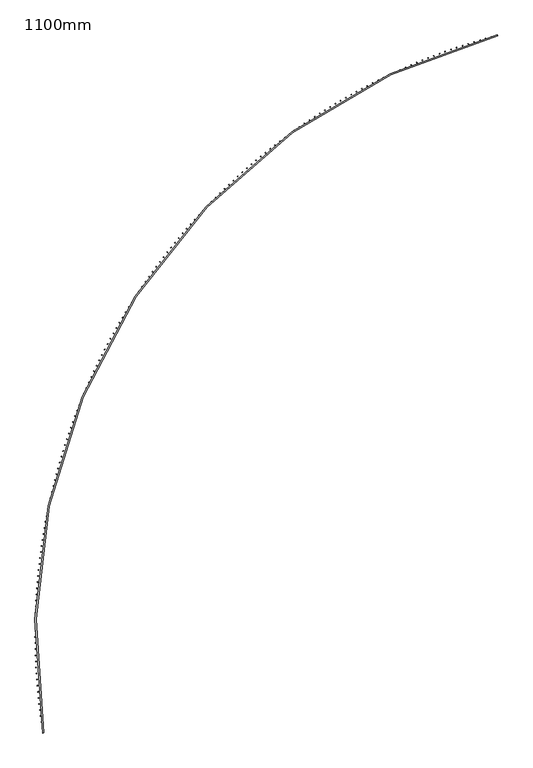
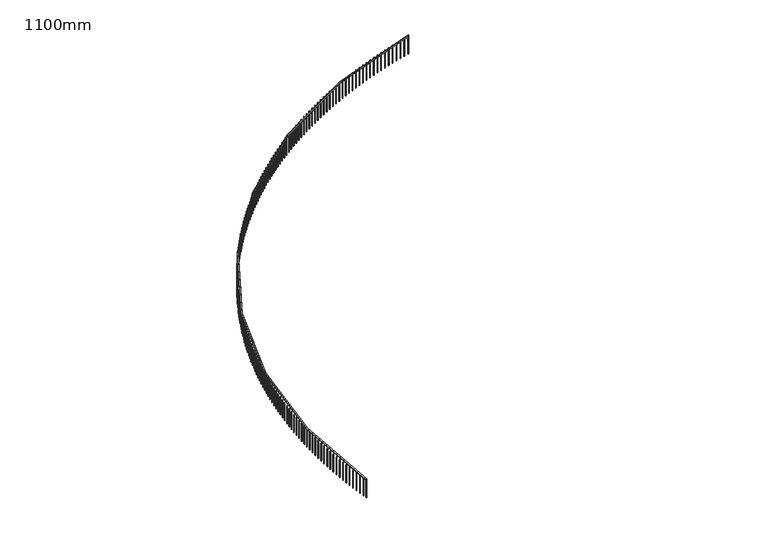
"""IFC4 building model written with IfcOpenShell, lengths in millimetres: railing geometry, 1100mm."""

from ifc_helpers import new_model, si_unit, point, frame, frame_2d, origin, place, context, project, spatial, polyline, circle_curve, trimmed, segment, composite_curve, outline, extrude, source, transform, mapped, element, save


def railing_1100mm_ca960c2f(model_context):
    return source(origin(), model_context, "Body", "SweptSolid", [
        extrude(outline(composite_curve([segment(trimmed(circle_curve(frame_2d((-8776.2169486, -53857.0322819)), 27971.5412014), [point((-36394.0287338, -58291.3968787))], [point((-15853.428822, -26795.6171438))], False, "CARTESIAN"), True, "CONTINUOUS"), segment(polyline([(-15853.428822, -26795.6171438), (-15840.7780857, -26843.9902651)]), True, "CONTINUOUS"), segment(trimmed(circle_curve(frame_2d((-8776.2169486, -53857.0322819)), 27921.5412014), [point((-15840.7780857, -26843.9902651))], [point((-36344.6610361, -58283.4703141))], True, "CARTESIAN"), True, "CONTINUOUS"), segment(polyline([(-36344.6610361, -58283.4703141), (-36394.0287338, -58291.3968787)]), True, "CONTINUOUS")], self_intersect=False)), frame((0.0, 0.0, 23650.0), z_axis=(0.0, 0.0, 1.0), x_axis=(1.0, 0.0, 0.0)), (0.0, 0.0, 1.0), 50.0),
        extrude(outline(polyline([(-36418.1953524, -58055.742926), (-36393.4805423, -58051.9775357), (-36389.7151521, -58076.6923458), (-36414.4299622, -58080.4577361), (-36418.1953524, -58055.742926)])), frame((0.0, 0.0, 22600.0), z_axis=(0.0, 0.0, 1.0), x_axis=(1.0, 0.0, 0.0)), (0.0, 0.0, 1.0), 1050.0),
        extrude(outline(polyline([(-36458.1726315, -57783.5410007), (-36433.4219663, -57780.0189879), (-36429.8999535, -57804.7696531), (-36454.6506187, -57808.2916659), (-36458.1726315, -57783.5410007)])), frame((0.0, 0.0, 22600.0), z_axis=(0.0, 0.0, 1.0), x_axis=(1.0, 0.0, 0.0)), (0.0, 0.0, 1.0), 1050.0),
        extrude(outline(polyline([(-36495.4694926, -57510.9588753), (-36470.685369, -57507.6805809), (-36467.4070746, -57532.4647046), (-36492.1911983, -57535.7429989), (-36495.4694926, -57510.9588753)])), frame((0.0, 0.0, 22600.0), z_axis=(0.0, 0.0, 1.0), x_axis=(1.0, 0.0, 0.0)), (0.0, 0.0, 1.0), 1050.0),
        extrude(outline(polyline([(-36530.0823244, -57238.0229435), (-36505.267142, -57234.9886851), (-36502.2328836, -57259.8038674), (-36527.0480659, -57262.8381258), (-36530.0823244, -57238.0229435)])), frame((0.0, 0.0, 22600.0), z_axis=(0.0, 0.0, 1.0), x_axis=(1.0, 0.0, 0.0)), (0.0, 0.0, 1.0), 1050.0),
        extrude(outline(polyline([(-36562.0077752, -56964.7596335), (-36537.1639369, -56961.9697048), (-36534.3740082, -56986.8135431), (-36559.2178464, -56989.6034718), (-36562.0077752, -56964.7596335)])), frame((0.0, 0.0, 22600.0), z_axis=(0.0, 0.0, 1.0), x_axis=(1.0, 0.0, 0.0)), (0.0, 0.0, 1.0), 1050.0),
        extrude(outline(polyline([(-36591.2427537, -56691.1954053), (-36566.3726652, -56688.6500764), (-36563.8273364, -56713.5201649), (-36588.6974249, -56716.0654937), (-36591.2427537, -56691.1954053)])), frame((0.0, 0.0, 22600.0), z_axis=(0.0, 0.0, 1.0), x_axis=(1.0, 0.0, 0.0)), (0.0, 0.0, 1.0), 1050.0),
        extrude(outline(polyline([(-36617.7844292, -56417.3567476), (-36592.8904987, -56415.0562651), (-36590.5900161, -56439.9501957), (-36615.4839467, -56442.2506782), (-36617.7844292, -56417.3567476)])), frame((0.0, 0.0, 22600.0), z_axis=(0.0, 0.0, 1.0), x_axis=(1.0, 0.0, 0.0)), (0.0, 0.0, 1.0), 1050.0),
        extrude(outline(polyline([(-36641.6302317, -56143.2701761), (-36616.7148695, -56141.2147626), (-36614.659456, -56166.1301249), (-36639.5748183, -56168.1855383), (-36641.6302317, -56143.2701761)])), frame((0.0, 0.0, 22600.0), z_axis=(0.0, 0.0, 1.0), x_axis=(1.0, 0.0, 0.0)), (0.0, 0.0, 1.0), 1050.0),
        extrude(outline(polyline([(-36662.7778522, -55868.9622303), (-36637.8434709, -55867.152085), (-36636.0333255, -55892.0864663), (-36660.9677069, -55893.8966117), (-36662.7778522, -55868.9622303)])), frame((0.0, 0.0, 22600.0), z_axis=(0.0, 0.0, 1.0), x_axis=(1.0, 0.0, 0.0)), (0.0, 0.0, 1.0), 1050.0),
        extrude(outline(polyline([(-36681.225243, -55594.4594712), (-36656.2742569, -55592.8947693), (-36654.7095549, -55617.8457554), (-36679.660541, -55619.4104573), (-36681.225243, -55594.4594712)])), frame((0.0, 0.0, 22600.0), z_axis=(0.0, 0.0, 1.0), x_axis=(1.0, 0.0, 0.0)), (0.0, 0.0, 1.0), 1050.0),
        extrude(outline(polyline([(-36696.9706178, -55319.7884787), (-36672.005443, -55318.4693716), (-36670.6863359, -55343.4345465), (-36695.6515107, -55344.7536536), (-36696.9706178, -55319.7884787)])), frame((0.0, 0.0, 22600.0), z_axis=(0.0, 0.0, 1.0), x_axis=(1.0, 0.0, 0.0)), (0.0, 0.0, 1.0), 1050.0),
        extrude(outline(polyline([(-36710.0124521, -55044.9758488), (-36685.0355058, -55043.9024644), (-36683.9621213, -55068.8794106), (-36708.9390676, -55069.9527951), (-36710.0124521, -55044.9758488)])), frame((0.0, 0.0, 22600.0), z_axis=(0.0, 0.0, 1.0), x_axis=(1.0, 0.0, 0.0)), (0.0, 0.0, 1.0), 1050.0),
        extrude(outline(polyline([(-36720.349483, -54770.0481915), (-36695.3631838, -54769.2206336), (-36694.5356258, -54794.2069328), (-36719.521925, -54795.0344907), (-36720.349483, -54770.0481915)])), frame((0.0, 0.0, 22600.0), z_axis=(0.0, 0.0, 1.0), x_axis=(1.0, 0.0, 0.0)), (0.0, 0.0, 1.0), 1050.0),
        extrude(outline(polyline([(-36727.9807095, -54495.0321277), (-36702.9874768, -54494.4504765), (-36702.4058255, -54519.4437092), (-36727.3990583, -54520.0253604), (-36727.9807095, -54495.0321277)])), frame((0.0, 0.0, 22600.0), z_axis=(0.0, 0.0, 1.0), x_axis=(1.0, 0.0, 0.0)), (0.0, 0.0, 1.0), 1050.0),
        extrude(outline(polyline([(-36732.9053928, -54219.954287), (-36707.9076467, -54219.6185987), (-36707.5719584, -54244.6163449), (-36732.5697046, -54244.9520331), (-36732.9053928, -54219.954287)])), frame((0.0, 0.0, 22600.0), z_axis=(0.0, 0.0, 1.0), x_axis=(1.0, 0.0, 0.0)), (0.0, 0.0, 1.0), 1050.0),
        extrude(outline(polyline([(-36735.123056, -53944.8413048), (-36710.1232169, -53944.7516121), (-36710.0335242, -53969.7514512), (-36735.0333633, -53969.8411439), (-36735.123056, -53944.8413048)])), frame((0.0, 0.0, 22600.0), z_axis=(0.0, 0.0, 1.0), x_axis=(1.0, 0.0, 0.0)), (0.0, 0.0, 1.0), 1050.0),
        extrude(outline(polyline([(-36734.6334844, -53669.7198202), (-36709.6339731, -53669.8761317), (-36709.7902845, -53694.875643), (-36734.7897959, -53694.7193316), (-36734.6334844, -53669.7198202)])), frame((0.0, 0.0, 22600.0), z_axis=(0.0, 0.0, 1.0), x_axis=(1.0, 0.0, 0.0)), (0.0, 0.0, 1.0), 1050.0),
        extrude(outline(polyline([(-36731.4367254, -53394.6164729), (-36706.4399625, -53395.0187734), (-36706.842263, -53420.0155363), (-36731.8390259, -53419.6132358), (-36731.4367254, -53394.6164729)])), frame((0.0, 0.0, 22600.0), z_axis=(0.0, 0.0, 1.0), x_axis=(1.0, 0.0, 0.0)), (0.0, 0.0, 1.0), 1050.0),
        extrude(outline(polyline([(-36725.5330885, -53119.5579009), (-36700.5414945, -53120.2061515), (-36701.189745, -53145.1977455), (-36726.181339, -53144.5494949), (-36725.5330885, -53119.5579009)])), frame((0.0, 0.0, 22600.0), z_axis=(0.0, 0.0, 1.0), x_axis=(1.0, 0.0, 0.0)), (0.0, 0.0, 1.0), 1050.0),
        extrude(outline(polyline([(-36716.9231453, -52844.5707378), (-36691.9391401, -52845.4648758), (-36692.833278, -52870.448881), (-36717.8172832, -52869.5547431), (-36716.9231453, -52844.5707378)])), frame((0.0, 0.0, 22600.0), z_axis=(0.0, 0.0, 1.0), x_axis=(1.0, 0.0, 0.0)), (0.0, 0.0, 1.0), 1050.0),
        extrude(outline(polyline([(-36705.6077296, -52569.6816105), (-36680.6337323, -52570.8215491), (-36681.773671, -52595.7955464), (-36706.7476683, -52594.6556078), (-36705.6077296, -52569.6816105)])), frame((0.0, 0.0, 22600.0), z_axis=(0.0, 0.0, 1.0), x_axis=(1.0, 0.0, 0.0)), (0.0, 0.0, 1.0), 1050.0),
        extrude(outline(polyline([(-36691.587937, -52294.9171361), (-36666.6263659, -52296.3027651), (-36668.0119949, -52321.2643362), (-36692.973566, -52319.8787072), (-36691.587937, -52294.9171361)])), frame((0.0, 0.0, 22600.0), z_axis=(0.0, 0.0, 1.0), x_axis=(1.0, 0.0, 0.0)), (0.0, 0.0, 1.0), 1050.0),
        extrude(outline(polyline([(-36674.865125, -52020.3039199), (-36649.9183971, -52021.9351051), (-36651.5495823, -52046.881833), (-36676.4963103, -52045.2506478), (-36674.865125, -52020.3039199)])), frame((0.0, 0.0, 22600.0), z_axis=(0.0, 0.0, 1.0), x_axis=(1.0, 0.0, 0.0)), (0.0, 0.0, 1.0), 1050.0),
        extrude(outline(polyline([(-36655.440913, -51745.8685523), (-36630.5114438, -51747.7451358), (-36632.3880273, -51772.674605), (-36657.3174965, -51770.7980215), (-36655.440913, -51745.8685523)])), frame((0.0, 0.0, 22600.0), z_axis=(0.0, 0.0, 1.0), x_axis=(1.0, 0.0, 0.0)), (0.0, 0.0, 1.0), 1050.0),
        extrude(outline(polyline([(-36633.3171816, -51471.6376068), (-36608.4073851, -51473.7594068), (-36610.5291851, -51498.6692034), (-36635.4389817, -51496.5474034), (-36633.3171816, -51471.6376068)])), frame((0.0, 0.0, 22600.0), z_axis=(0.0, 0.0, 1.0), x_axis=(1.0, 0.0, 0.0)), (0.0, 0.0, 1.0), 1050.0),
        extrude(outline(polyline([(-36608.4960732, -51197.6376368), (-36583.6083613, -51200.004448), (-36585.9751724, -51224.8921599), (-36610.8628843, -51222.5253488), (-36608.4960732, -51197.6376368)])), frame((0.0, 0.0, 22600.0), z_axis=(0.0, 0.0, 1.0), x_axis=(1.0, 0.0, 0.0)), (0.0, 0.0, 1.0), 1050.0),
        extrude(outline(polyline([(-36580.9799912, -50923.8951736), (-36556.1167737, -50926.5067666), (-36558.7283668, -50951.3699841), (-36583.5915842, -50948.758391), (-36580.9799912, -50923.8951736)])), frame((0.0, 0.0, 22600.0), z_axis=(0.0, 0.0, 1.0), x_axis=(1.0, 0.0, 0.0)), (0.0, 0.0, 1.0), 1050.0),
        extrude(outline(polyline([(-36550.7715998, -50650.4367232), (-36525.9352843, -50653.2928453), (-36528.7914064, -50678.1291608), (-36553.6277219, -50675.2730387), (-36550.7715998, -50650.4367232)])), frame((0.0, 0.0, 22600.0), z_axis=(0.0, 0.0, 1.0), x_axis=(1.0, 0.0, 0.0)), (0.0, 0.0, 1.0), 1050.0),
        extrude(outline(polyline([(-36517.8738242, -50377.2887645), (-36493.0668155, -50380.3891391), (-36496.1671901, -50405.1961478), (-36520.9741988, -50402.0957732), (-36517.8738242, -50377.2887645)])), frame((0.0, 0.0, 22600.0), z_axis=(0.0, 0.0, 1.0), x_axis=(1.0, 0.0, 0.0)), (0.0, 0.0, 1.0), 1050.0),
        extrude(outline(polyline([(-36482.2898498, -50104.4777462), (-36457.51455, -50107.822073), (-36460.8588769, -50132.5973728), (-36485.6341766, -50129.2530459), (-36482.2898498, -50104.4777462)])), frame((0.0, 0.0, 22600.0), z_axis=(0.0, 0.0, 1.0), x_axis=(1.0, 0.0, 0.0)), (0.0, 0.0, 1.0), 1050.0),
        extrude(outline(polyline([(-36444.0231222, -49832.0300842), (-36419.2819303, -49835.6180395), (-36422.8698856, -49860.3592314), (-36447.6110775, -49856.7712761), (-36444.0231222, -49832.0300842)])), frame((0.0, 0.0, 22600.0), z_axis=(0.0, 0.0, 1.0), x_axis=(1.0, 0.0, 0.0)), (0.0, 0.0, 1.0), 1050.0),
        extrude(outline(polyline([(-36403.0773466, -49559.9721594), (-36378.3726583, -49563.8033957), (-36382.2038946, -49588.5080841), (-36406.908583, -49584.6768478), (-36403.0773466, -49559.9721594)])), frame((0.0, 0.0, 22600.0), z_axis=(0.0, 0.0, 1.0), x_axis=(1.0, 0.0, 0.0)), (0.0, 0.0, 1.0), 1050.0),
        extrude(outline(polyline([(-36359.456488, -49288.330315), (-36334.7906952, -49292.4044614), (-36338.8648416, -49317.0702541), (-36363.5306344, -49312.9961077), (-36359.456488, -49288.330315)])), frame((0.0, 0.0, 22600.0), z_axis=(0.0, 0.0, 1.0), x_axis=(1.0, 0.0, 0.0)), (0.0, 0.0, 1.0), 1050.0),
        extrude(outline(polyline([(-36313.1647699, -49017.1308537), (-36288.5402612, -49021.4475156), (-36292.8569232, -49046.0720243), (-36317.4814319, -49041.7553624), (-36313.1647699, -49017.1308537)])), frame((0.0, 0.0, 22600.0), z_axis=(0.0, 0.0, 1.0), x_axis=(1.0, 0.0, 0.0)), (0.0, 0.0, 1.0), 1050.0),
        extrude(outline(polyline([(-36264.2066749, -48746.4000355), (-36239.6258345, -48750.958795), (-36244.1845941, -48775.5396354), (-36268.7654344, -48770.9808758), (-36264.2066749, -48746.4000355)])), frame((0.0, 0.0, 22600.0), z_axis=(0.0, 0.0, 1.0), x_axis=(1.0, 0.0, 0.0)), (0.0, 0.0, 1.0), 1050.0),
        extrude(outline(polyline([(-36212.5869434, -48476.1640751), (-36188.0521516, -48480.9644908), (-36192.8525673, -48505.4992826), (-36217.3873591, -48500.6988669), (-36212.5869434, -48476.1640751)])), frame((0.0, 0.0, 22600.0), z_axis=(0.0, 0.0, 1.0), x_axis=(1.0, 0.0, 0.0)), (0.0, 0.0, 1.0), 1050.0),
        extrude(outline(polyline([(-36158.3105737, -48206.4491392), (-36133.8242061, -48211.4907462), (-36138.8658132, -48235.9771138), (-36163.3521808, -48230.9355068), (-36158.3105737, -48206.4491392)])), frame((0.0, 0.0, 22600.0), z_axis=(0.0, 0.0, 1.0), x_axis=(1.0, 0.0, 0.0)), (0.0, 0.0, 1.0), 1050.0),
        extrude(outline(polyline([(-36101.3828215, -47937.2813439), (-36076.9472491, -47942.5636541), (-36082.2295593, -47966.9992265), (-36106.6651317, -47961.7169163), (-36101.3828215, -47937.2813439)])), frame((0.0, 0.0, 22600.0), z_axis=(0.0, 0.0, 1.0), x_axis=(1.0, 0.0, 0.0)), (0.0, 0.0, 1.0), 1050.0),
        extrude(outline(polyline([(-36041.8091989, -47668.6867527), (-36017.4267878, -47674.2092546), (-36022.9492897, -47698.5916657), (-36047.3317008, -47693.0691638), (-36041.8091989, -47668.6867527)])), frame((0.0, 0.0, 22600.0), z_axis=(0.0, 0.0, 1.0), x_axis=(1.0, 0.0, 0.0)), (0.0, 0.0, 1.0), 1050.0),
        extrude(outline(polyline([(-35979.5954744, -47400.6913731), (-35955.2685855, -47406.453532), (-35961.0307443, -47430.7804209), (-35985.3576333, -47425.0182621), (-35979.5954744, -47400.6913731)])), frame((0.0, 0.0, 22600.0), z_axis=(0.0, 0.0, 1.0), x_axis=(1.0, 0.0, 0.0)), (0.0, 0.0, 1.0), 1050.0),
        extrude(outline(polyline([(-35914.7476721, -47133.3211551), (-35890.4786609, -47139.3224129), (-35896.4799188, -47163.5914241), (-35920.74893, -47157.5901662), (-35914.7476721, -47133.3211551)])), frame((0.0, 0.0, 22600.0), z_axis=(0.0, 0.0, 1.0), x_axis=(1.0, 0.0, 0.0)), (0.0, 0.0, 1.0), 1050.0),
        extrude(outline(polyline([(-35847.2720712, -46866.6019877), (-35823.0632877, -46872.8417634), (-35829.3030635, -46897.0505469), (-35853.511847, -46890.8107712), (-35847.2720712, -46866.6019877)])), frame((0.0, 0.0, 22600.0), z_axis=(0.0, 0.0, 1.0), x_axis=(1.0, 0.0, 0.0)), (0.0, 0.0, 1.0), 1050.0),
        extrude(outline(polyline([(-35777.1752052, -46600.5596971), (-35753.0289935, -46607.0373866), (-35759.506683, -46631.1835983), (-35783.6528947, -46624.7059088), (-35777.1752052, -46600.5596971)])), frame((0.0, 0.0, 22600.0), z_axis=(0.0, 0.0, 1.0), x_axis=(1.0, 0.0, 0.0)), (0.0, 0.0, 1.0), 1050.0),
        extrude(outline(polyline([(-35704.4638616, -46335.2200441), (-35680.3825598, -46341.9350201), (-35687.0975358, -46366.0163219), (-35711.1788376, -46359.3013459), (-35704.4638616, -46335.2200441)])), frame((0.0, 0.0, 22600.0), z_axis=(0.0, 0.0, 1.0), x_axis=(1.0, 0.0, 0.0)), (0.0, 0.0, 1.0), 1050.0),
        extrude(outline(polyline([(-35629.1450809, -46070.6087211), (-35605.1310208, -46077.5603334), (-35612.082633, -46101.5743936), (-35636.0966932, -46094.6227813), (-35629.1450809, -46070.6087211)])), frame((0.0, 0.0, 22600.0), z_axis=(0.0, 0.0, 1.0), x_axis=(1.0, 0.0, 0.0)), (0.0, 0.0, 1.0), 1050.0),
        extrude(outline(polyline([(-35551.2261563, -45806.7513503), (-35527.281663, -45813.9389257), (-35534.4692384, -45837.883419), (-35558.4137317, -45830.6958436), (-35551.2261563, -45806.7513503)])), frame((0.0, 0.0, 22600.0), z_axis=(0.0, 0.0, 1.0), x_axis=(1.0, 0.0, 0.0)), (0.0, 0.0, 1.0), 1050.0),
        extrude(outline(polyline([(-35470.7146324, -45543.6734806), (-35446.8420245, -45551.0963232), (-35454.2648671, -45574.9689311), (-35478.137475, -45567.5460885), (-35470.7146324, -45543.6734806)])), frame((0.0, 0.0, 22600.0), z_axis=(0.0, 0.0, 1.0), x_axis=(1.0, 0.0, 0.0)), (0.0, 0.0, 1.0), 1050.0),
        extrude(outline(polyline([(-35387.6183052, -45281.4005858), (-35363.8198943, -45289.0579768), (-35371.4772853, -45312.8563878), (-35395.2756963, -45305.1989967), (-35387.6183052, -45281.4005858)])), frame((0.0, 0.0, 22600.0), z_axis=(0.0, 0.0, 1.0), x_axis=(1.0, 0.0, 0.0)), (0.0, 0.0, 1.0), 1050.0),
        extrude(outline(polyline([(-35301.9452208, -45019.9580614), (-35278.2233112, -45027.8492594), (-35286.1145093, -45051.571169), (-35309.8364188, -45043.6799709), (-35301.9452208, -45019.9580614)])), frame((0.0, 0.0, 22600.0), z_axis=(0.0, 0.0, 1.0), x_axis=(1.0, 0.0, 0.0)), (0.0, 0.0, 1.0), 1050.0),
        extrude(outline(polyline([(-35213.7036748, -44759.3712226), (-35190.0605636, -44767.4954635), (-35198.1848045, -44791.1385748), (-35221.8279158, -44783.0143338), (-35213.7036748, -44759.3712226)])), frame((0.0, 0.0, 22600.0), z_axis=(0.0, 0.0, 1.0), x_axis=(1.0, 0.0, 0.0)), (0.0, 0.0, 1.0), 1050.0),
        extrude(outline(polyline([(-35122.9022117, -44499.6653019), (-35099.3401881, -44508.0217991), (-35107.6966853, -44531.5838226), (-35131.2587088, -44523.2273254), (-35122.9022117, -44499.6653019)])), frame((0.0, 0.0, 22600.0), z_axis=(0.0, 0.0, 1.0), x_axis=(1.0, 0.0, 0.0)), (0.0, 0.0, 1.0), 1050.0),
        extrude(outline(polyline([(-35029.5496235, -44240.8654463), (-35006.0709691, -44249.4533906), (-35014.6589133, -44272.932045), (-35038.1375678, -44264.3441007), (-35029.5496235, -44240.8654463)])), frame((0.0, 0.0, 22600.0), z_axis=(0.0, 0.0, 1.0), x_axis=(1.0, 0.0, 0.0)), (0.0, 0.0, 1.0), 1050.0),
        extrude(outline(polyline([(-34933.6549496, -43982.9967152), (-34910.2619378, -43991.815275), (-34919.0804975, -44015.2082868), (-34942.4735094, -44006.389727), (-34933.6549496, -43982.9967152)])), frame((0.0, 0.0, 22600.0), z_axis=(0.0, 0.0, 1.0), x_axis=(1.0, 0.0, 0.0)), (0.0, 0.0, 1.0), 1050.0),
        extrude(outline(polyline([(-34835.2274753, -43726.0840777), (-34811.9223712, -43735.1323991), (-34820.9706926, -43758.4375033), (-34844.2757968, -43749.3891819), (-34835.2274753, -43726.0840777)])), frame((0.0, 0.0, 22600.0), z_axis=(0.0, 0.0, 1.0), x_axis=(1.0, 0.0, 0.0)), (0.0, 0.0, 1.0), 1050.0),
        extrude(outline(polyline([(-34734.2767314, -43470.1524105), (-34711.0617915, -43479.4296174), (-34720.3389984, -43502.6445573), (-34743.5539383, -43493.3673504), (-34734.2767314, -43470.1524105)])), frame((0.0, 0.0, 22600.0), z_axis=(0.0, 0.0, 1.0), x_axis=(1.0, 0.0, 0.0)), (0.0, 0.0, 1.0), 1050.0),
        extrude(outline(polyline([(-34630.8124927, -43215.2264953), (-34607.689965, -43224.7316893), (-34617.1951591, -43247.854217), (-34640.3176868, -43238.3490229), (-34630.8124927, -43215.2264953)])), frame((0.0, 0.0, 22600.0), z_axis=(0.0, 0.0, 1.0), x_axis=(1.0, 0.0, 0.0)), (0.0, 0.0, 1.0), 1050.0),
        extrude(outline(polyline([(-34524.8447776, -42961.3310161), (-34501.8169011, -42971.063277), (-34511.5491619, -42994.0911535), (-34534.5770385, -42984.3588927), (-34524.8447776, -42961.3310161)])), frame((0.0, 0.0, 22600.0), z_axis=(0.0, 0.0, 1.0), x_axis=(1.0, 0.0, 0.0)), (0.0, 0.0, 1.0), 1050.0),
        extrude(outline(polyline([(-34416.3838469, -42708.4905576), (-34393.4528512, -42718.4489429), (-34403.4112365, -42741.3799386), (-34426.3422322, -42731.4215532), (-34416.3838469, -42708.4905576)])), frame((0.0, 0.0, 22600.0), z_axis=(0.0, 0.0, 1.0), x_axis=(1.0, 0.0, 0.0)), (0.0, 0.0, 1.0), 1050.0),
        extrude(outline(polyline([(-34305.4402026, -42456.729602), (-34282.6083083, -42466.9131475), (-34292.7918538, -42489.7450418), (-34315.6237481, -42479.5614963), (-34305.4402026, -42456.729602)])), frame((0.0, 0.0, 22600.0), z_axis=(0.0, 0.0, 1.0), x_axis=(1.0, 0.0, 0.0)), (0.0, 0.0, 1.0), 1050.0),
        extrude(outline(polyline([(-34192.0245875, -42206.072527), (-34169.2940052, -42216.4802466), (-34179.7017248, -42239.2108289), (-34202.4323071, -42228.8031093), (-34192.0245875, -42206.072527)])), frame((0.0, 0.0, 22600.0), z_axis=(0.0, 0.0, 1.0), x_axis=(1.0, 0.0, 0.0)), (0.0, 0.0, 1.0), 1050.0),
        extrude(outline(polyline([(-34076.1479834, -41956.5436036), (-34053.5209142, -41967.1744896), (-34064.1518001, -41989.8015589), (-34086.7788694, -41979.1706729), (-34076.1479834, -41956.5436036)])), frame((0.0, 0.0, 22600.0), z_axis=(0.0, 0.0, 1.0), x_axis=(1.0, 0.0, 0.0)), (0.0, 0.0, 1.0), 1050.0),
        extrude(outline(polyline([(-33957.8216106, -41708.1669935), (-33935.3002453, -41719.0200164), (-33946.1532683, -41741.5413817), (-33968.6746335, -41730.6883588), (-33957.8216106, -41708.1669935)])), frame((0.0, 0.0, 22600.0), z_axis=(0.0, 0.0, 1.0), x_axis=(1.0, 0.0, 0.0)), (0.0, 0.0, 1.0), 1050.0),
        extrude(outline(polyline([(-33837.0569265, -41460.9667467), (-33814.6434459, -41472.0408557), (-33825.7175549, -41494.4543362), (-33848.1310355, -41483.3802272), (-33837.0569265, -41460.9667467)])), frame((0.0, 0.0, 22600.0), z_axis=(0.0, 0.0, 1.0), x_axis=(1.0, 0.0, 0.0)), (0.0, 0.0, 1.0), 1050.0),
        extrude(outline(polyline([(-33713.8656245, -41214.9667993), (-33691.562199, -41226.2609221), (-33702.8563218, -41248.5643476), (-33725.1597473, -41237.2702249), (-33713.8656245, -41214.9667993)])), frame((0.0, 0.0, 22600.0), z_axis=(0.0, 0.0, 1.0), x_axis=(1.0, 0.0, 0.0)), (0.0, 0.0, 1.0), 1050.0),
        extrude(outline(polyline([(-33588.2596333, -40970.1909714), (-33566.0684224, -40981.7040144), (-33577.5814654, -41003.8952253), (-33599.7726763, -40992.3821823), (-33588.2596333, -40970.1909714)])), frame((0.0, 0.0, 22600.0), z_axis=(0.0, 0.0, 1.0), x_axis=(1.0, 0.0, 0.0)), (0.0, 0.0, 1.0), 1050.0),
        extrude(outline(polyline([(-33460.2511151, -40726.6629643), (-33438.1742676, -40738.3938127), (-33449.9051159, -40760.4706602), (-33471.9819634, -40748.7398118), (-33460.2511151, -40726.6629643)])), frame((0.0, 0.0, 22600.0), z_axis=(0.0, 0.0, 1.0), x_axis=(1.0, 0.0, 0.0)), (0.0, 0.0, 1.0), 1050.0),
        extrude(outline(polyline([(-33329.8524649, -40484.4063586), (-33307.8921184, -40496.3538765), (-33319.8396362, -40518.314223), (-33341.7999827, -40506.3667051), (-33329.8524649, -40484.4063586)])), frame((0.0, 0.0, 22600.0), z_axis=(0.0, 0.0, 1.0), x_axis=(1.0, 0.0, 0.0)), (0.0, 0.0, 1.0), 1050.0),
        extrude(outline(polyline([(-33197.076309, -40243.4446119), (-33175.23459, -40255.6076424), (-33187.3976205, -40277.4493614), (-33209.2393395, -40265.2863309), (-33197.076309, -40243.4446119)])), frame((0.0, 0.0, 22600.0), z_axis=(0.0, 0.0, 1.0), x_axis=(1.0, 0.0, 0.0)), (0.0, 0.0, 1.0), 1050.0),
        extrude(outline(polyline([(-33061.9355041, -40003.8010561), (-33040.2145274, -40016.1784215), (-33052.5918928, -40037.8993982), (-33074.3128694, -40025.5220328), (-33061.9355041, -40003.8010561)])), frame((0.0, 0.0, 22600.0), z_axis=(0.0, 0.0, 1.0), x_axis=(1.0, 0.0, 0.0)), (0.0, 0.0, 1.0), 1050.0),
        extrude(outline(polyline([(-32924.4431356, -39765.4988959), (-32902.8450046, -39778.0893976), (-32915.4355063, -39799.6875287), (-32937.0336374, -39787.0970269), (-32924.4431356, -39765.4988959)])), frame((0.0, 0.0, 22600.0), z_axis=(0.0, 0.0, 1.0), x_axis=(1.0, 0.0, 0.0)), (0.0, 0.0, 1.0), 1050.0),
        extrude(outline(polyline([(-32784.6125169, -39528.5612056), (-32763.1393228, -39541.3636247), (-32775.9417419, -39562.8368188), (-32797.414936, -39550.0343998), (-32784.6125169, -39528.5612056)])), frame((0.0, 0.0, 22600.0), z_axis=(0.0, 0.0, 1.0), x_axis=(1.0, 0.0, 0.0)), (0.0, 0.0, 1.0), 1050.0),
        extrude(outline(polyline([(-32642.4571877, -39293.0109279), (-32621.1110097, -39306.0240246), (-32634.1241064, -39327.3702026), (-32655.4702844, -39314.3571059), (-32642.4571877, -39293.0109279)])), frame((0.0, 0.0, 22600.0), z_axis=(0.0, 0.0, 1.0), x_axis=(1.0, 0.0, 0.0)), (0.0, 0.0, 1.0), 1050.0),
        extrude(outline(polyline([(-32497.9909126, -39058.8708708), (-32476.7738177, -39072.0933851), (-32489.996332, -39093.31048), (-32511.2134269, -39080.0879657), (-32497.9909126, -39058.8708708)])), frame((0.0, 0.0, 22600.0), z_axis=(0.0, 0.0, 1.0), x_axis=(1.0, 0.0, 0.0)), (0.0, 0.0, 1.0), 1050.0),
        extrude(outline(polyline([(-32351.2276803, -38826.1637059), (-32330.1417229, -38839.5943574), (-32343.5723745, -38860.6803148), (-32364.6583318, -38847.2496633), (-32351.2276803, -38826.1637059)])), frame((0.0, 0.0, 22600.0), z_axis=(0.0, 0.0, 1.0), x_axis=(1.0, 0.0, 0.0)), (0.0, 0.0, 1.0), 1050.0),
        extrude(outline(polyline([(-32202.1817017, -38594.911966), (-32181.2289235, -38608.5494543), (-32194.8664118, -38629.5022324), (-32215.81919, -38615.8647441), (-32202.1817017, -38594.911966)])), frame((0.0, 0.0, 22600.0), z_axis=(0.0, 0.0, 1.0), x_axis=(1.0, 0.0, 0.0)), (0.0, 0.0, 1.0), 1050.0),
        extrude(outline(polyline([(-32050.8674087, -38365.1380429), (-32030.0498386, -38378.9810475), (-32043.8928432, -38399.7986176), (-32064.7104133, -38385.955613), (-32050.8674087, -38365.1380429)])), frame((0.0, 0.0, 22600.0), z_axis=(0.0, 0.0, 1.0), x_axis=(1.0, 0.0, 0.0)), (0.0, 0.0, 1.0), 1050.0),
        extrude(outline(polyline([(-31897.2994529, -38136.8641856), (-31876.6191067, -38150.9113661), (-31890.6662872, -38171.5917123), (-31911.3466334, -38157.5445318), (-31897.2994529, -38136.8641856)])), frame((0.0, 0.0, 22600.0), z_axis=(0.0, 0.0, 1.0), x_axis=(1.0, 0.0, 0.0)), (0.0, 0.0, 1.0), 1050.0),
        extrude(outline(polyline([(-31741.4927044, -37910.1124975), (-31720.9515844, -37924.3624937), (-31735.2015806, -37944.9036136), (-31755.7427005, -37930.6536174), (-31741.4927044, -37910.1124975)])), frame((0.0, 0.0, 22600.0), z_axis=(0.0, 0.0, 1.0), x_axis=(1.0, 0.0, 0.0)), (0.0, 0.0, 1.0), 1050.0),
        extrude(outline(polyline([(-31583.4622495, -37684.9049347), (-31563.0623448, -37699.3563668), (-31577.5137769, -37719.7562715), (-31597.9136816, -37705.3048394), (-31583.4622495, -37684.9049347)])), frame((0.0, 0.0, 22600.0), z_axis=(0.0, 0.0, 1.0), x_axis=(1.0, 0.0, 0.0)), (0.0, 0.0, 1.0), 1050.0),
        extrude(outline(polyline([(-31423.2233904, -37461.263304), (-31402.9666763, -37475.9147727), (-31417.6181449, -37496.1714868), (-31437.874859, -37481.5200181), (-31423.2233904, -37461.263304)])), frame((0.0, 0.0, 22600.0), z_axis=(0.0, 0.0, 1.0), x_axis=(1.0, 0.0, 0.0)), (0.0, 0.0, 1.0), 1050.0),
        extrude(outline(polyline([(-31260.7916427, -37239.2092603), (-31240.6800806, -37254.0593469), (-31255.5301671, -37274.170909), (-31275.6417292, -37259.3208224), (-31260.7916427, -37239.2092603)])), frame((0.0, 0.0, 22600.0), z_axis=(0.0, 0.0, 1.0), x_axis=(1.0, 0.0, 0.0)), (0.0, 0.0, 1.0), 1050.0),
        extrude(outline(polyline([(-31096.1827346, -37018.764305), (-31076.2182719, -37033.8115715), (-31091.2655383, -37053.7760342), (-31111.2300011, -37038.7287677), (-31096.1827346, -37018.764305)])), frame((0.0, 0.0, 22600.0), z_axis=(0.0, 0.0, 1.0), x_axis=(1.0, 0.0, 0.0)), (0.0, 0.0, 1.0), 1050.0),
        extrude(outline(polyline([(-30929.412605, -36799.9497834), (-30909.5971748, -36815.1927729), (-30924.8401642, -36835.008203), (-30944.6555944, -36819.7652136), (-30929.412605, -36799.9497834)])), frame((0.0, 0.0, 22600.0), z_axis=(0.0, 0.0, 1.0), x_axis=(1.0, 0.0, 0.0)), (0.0, 0.0, 1.0), 1050.0),
        extrude(outline(polyline([(-30760.4974021, -36582.7868833), (-30740.8329231, -36598.2241197), (-30756.2701596, -36617.8885986), (-30775.9346385, -36602.4513622), (-30760.4974021, -36582.7868833)])), frame((0.0, 0.0, 22600.0), z_axis=(0.0, 0.0, 1.0), x_axis=(1.0, 0.0, 0.0)), (0.0, 0.0, 1.0), 1050.0),
        extrude(outline(polyline([(-30589.4534818, -36367.2966322), (-30569.9418582, -36382.9266208), (-30585.5718468, -36402.4382444), (-30605.0834704, -36386.8082558), (-30589.4534818, -36367.2966322)])), frame((0.0, 0.0, 22600.0), z_axis=(0.0, 0.0, 1.0), x_axis=(1.0, 0.0, 0.0)), (0.0, 0.0, 1.0), 1050.0),
        extrude(outline(polyline([(-30416.2974061, -36153.499896), (-30396.9405272, -36169.3211234), (-30412.7617546, -36188.6780023), (-30432.1186335, -36172.8567749), (-30416.2974061, -36153.499896)])), frame((0.0, 0.0, 22600.0), z_axis=(0.0, 0.0, 1.0), x_axis=(1.0, 0.0, 0.0)), (0.0, 0.0, 1.0), 1050.0),
        extrude(outline(polyline([(-30241.0459417, -35941.4173762), (-30221.8456816, -35957.4283105), (-30237.8566158, -35976.6285705), (-30257.0568759, -35960.6176363), (-30241.0459417, -35941.4173762)])), frame((0.0, 0.0, 22600.0), z_axis=(0.0, 0.0, 1.0), x_axis=(1.0, 0.0, 0.0)), (0.0, 0.0, 1.0), 1050.0),
        extrude(outline(polyline([(-30063.7160578, -35731.0696088), (-30044.6742758, -35747.2686995), (-30060.8733665, -35766.3104815), (-30079.9151485, -35750.1113908), (-30063.7160578, -35731.0696088)])), frame((0.0, 0.0, 22600.0), z_axis=(0.0, 0.0, 1.0), x_axis=(1.0, 0.0, 0.0)), (0.0, 0.0, 1.0), 1050.0),
        extrude(outline(polyline([(-29884.3249252, -35522.4769615), (-29865.4434651, -35538.8626402), (-29881.8291438, -35557.7441002), (-29900.7106039, -35541.3584216), (-29884.3249252, -35522.4769615)])), frame((0.0, 0.0, 22600.0), z_axis=(0.0, 0.0, 1.0), x_axis=(1.0, 0.0, 0.0)), (0.0, 0.0, 1.0), 1050.0),
        extrude(outline(polyline([(-29702.8899142, -35315.6596321), (-29684.1706043, -35332.2303121), (-29700.7412843, -35350.949622), (-29719.4605942, -35334.378942), (-29702.8899142, -35315.6596321)])), frame((0.0, 0.0, 22600.0), z_axis=(0.0, 0.0, 1.0), x_axis=(1.0, 0.0, 0.0)), (0.0, 0.0, 1.0), 1050.0),
        extrude(outline(polyline([(-29519.428593, -35110.6376465), (-29500.8732457, -35127.3917233), (-29517.6273226, -35145.9470705), (-29536.1826698, -35129.1929937), (-29519.428593, -35110.6376465)])), frame((0.0, 0.0, 22600.0), z_axis=(0.0, 0.0, 1.0), x_axis=(1.0, 0.0, 0.0)), (0.0, 0.0, 1.0), 1050.0),
        extrude(outline(polyline([(-29333.9587258, -34907.4308568), (-29315.5691381, -34924.3667082), (-29332.5049894, -34942.756296), (-29350.8945772, -34925.8204446), (-29333.9587258, -34907.4308568)])), frame((0.0, 0.0, 22600.0), z_axis=(0.0, 0.0, 1.0), x_axis=(1.0, 0.0, 0.0)), (0.0, 0.0, 1.0), 1050.0),
        extrude(outline(polyline([(-29146.4982718, -34706.0589394), (-29128.276224, -34723.1749254), (-29145.39221, -34741.3969731), (-29163.6142578, -34724.2809871), (-29146.4982718, -34706.0589394)])), frame((0.0, 0.0, 22600.0), z_axis=(0.0, 0.0, 1.0), x_axis=(1.0, 0.0, 0.0)), (0.0, 0.0, 1.0), 1050.0),
        extrude(outline(polyline([(-28957.0653823, -34506.5413929), (-28939.0126391, -34523.8358562), (-28956.3071024, -34541.8885995), (-28974.3598456, -34524.5941361), (-28957.0653823, -34506.5413929)])), frame((0.0, 0.0, 22600.0), z_axis=(0.0, 0.0, 1.0), x_axis=(1.0, 0.0, 0.0)), (0.0, 0.0, 1.0), 1050.0),
        extrude(outline(polyline([(-28765.6784001, -34308.8975364), (-28747.7967094, -34326.3688025), (-28765.2679755, -34344.2504932), (-28783.1496662, -34326.7792271), (-28765.6784001, -34308.8975364)])), frame((0.0, 0.0, 22600.0), z_axis=(0.0, 0.0, 1.0), x_axis=(1.0, 0.0, 0.0)), (0.0, 0.0, 1.0), 1050.0),
        extrude(outline(polyline([(-28572.355857, -34113.1465076), (-28554.6469503, -34130.7928846), (-28572.2933273, -34148.5017913), (-28590.002234, -34130.8554143), (-28572.355857, -34113.1465076)])), frame((0.0, 0.0, 22600.0), z_axis=(0.0, 0.0, 1.0), x_axis=(1.0, 0.0, 0.0)), (0.0, 0.0, 1.0), 1050.0),
        extrude(outline(polyline([(-28377.1164722, -33919.3072608), (-28359.5820642, -33937.1270402), (-28377.4018435, -33954.6614482), (-28394.9362515, -33936.8416688), (-28377.1164722, -33919.3072608)])), frame((0.0, 0.0, 22600.0), z_axis=(0.0, 0.0, 1.0), x_axis=(1.0, 0.0, 0.0)), (0.0, 0.0, 1.0), 1050.0),
        extrude(outline(polyline([(-28179.9791505, -33727.3985654), (-28162.6209391, -33745.3900216), (-28180.6123953, -33762.748233), (-28197.9706067, -33744.7567768), (-28179.9791505, -33727.3985654)])), frame((0.0, 0.0, 22600.0), z_axis=(0.0, 0.0, 1.0), x_axis=(1.0, 0.0, 0.0)), (0.0, 0.0, 1.0), 1050.0),
        extrude(outline(polyline([(-27980.9629806, -33537.4390036), (-27963.7826466, -33555.6003946), (-27981.9440375, -33572.7807286), (-27999.1243716, -33554.6193377), (-27980.9629806, -33537.4390036)])), frame((0.0, 0.0, 22600.0), z_axis=(0.0, 0.0, 1.0), x_axis=(1.0, 0.0, 0.0)), (0.0, 0.0, 1.0), 1050.0),
        extrude(outline(polyline([(-27780.0872331, -33349.4469692), (-27763.0864399, -33367.7765363), (-27781.4160071, -33384.7773295), (-27798.4168002, -33366.4477623), (-27780.0872331, -33349.4469692)])), frame((0.0, 0.0, 22600.0), z_axis=(0.0, 0.0, 1.0), x_axis=(1.0, 0.0, 0.0)), (0.0, 0.0, 1.0), 1050.0),
        extrude(outline(polyline([(-27577.3713585, -33163.4406651), (-27560.5517524, -33181.9366336), (-27579.0477209, -33198.7562397), (-27595.867327, -33180.2602712), (-27577.3713585, -33163.4406651)])), frame((0.0, 0.0, 22600.0), z_axis=(0.0, 0.0, 1.0), x_axis=(1.0, 0.0, 0.0)), (0.0, 0.0, 1.0), 1050.0),
        extrude(outline(polyline([(-27372.8349857, -32979.4381022), (-27356.1981953, -32998.0986811), (-27374.8587742, -33014.7354715), (-27391.4955646, -32996.0748926), (-27372.8349857, -32979.4381022)])), frame((0.0, 0.0, 22600.0), z_axis=(0.0, 0.0, 1.0), x_axis=(1.0, 0.0, 0.0)), (0.0, 0.0, 1.0), 1050.0),
        extrude(outline(polyline([(-27166.4979196, -32797.4570973), (-27150.0455558, -32816.2804797), (-27168.8689383, -32832.7328435), (-27185.321302, -32813.9094611), (-27166.4979196, -32797.4570973)])), frame((0.0, 0.0, 22600.0), z_axis=(0.0, 0.0, 1.0), x_axis=(1.0, 0.0, 0.0)), (0.0, 0.0, 1.0), 1050.0),
        extrude(outline(polyline([(-26958.3801398, -32617.5152714), (-26942.1137957, -32636.4996347), (-26961.098159, -32652.7659788), (-26977.3645031, -32633.7816155), (-26958.3801398, -32617.5152714)])), frame((0.0, 0.0, 22600.0), z_axis=(0.0, 0.0, 1.0), x_axis=(1.0, 0.0, 0.0)), (0.0, 0.0, 1.0), 1050.0),
        extrude(outline(polyline([(-26748.5017981, -32439.6300482), (-26732.4230487, -32458.7735542), (-26751.5665547, -32474.8523035), (-26767.645304, -32455.7087975), (-26748.5017981, -32439.6300482)])), frame((0.0, 0.0, 22600.0), z_axis=(0.0, 0.0, 1.0), x_axis=(1.0, 0.0, 0.0)), (0.0, 0.0, 1.0), 1050.0),
        extrude(outline(polyline([(-26536.8832167, -32263.8186521), (-26520.993619, -32283.119447), (-26540.294414, -32299.0090447), (-26556.1840116, -32279.7082498), (-26536.8832167, -32263.8186521)])), frame((0.0, 0.0, 22600.0), z_axis=(0.0, 0.0, 1.0), x_axis=(1.0, 0.0, 0.0)), (0.0, 0.0, 1.0), 1050.0),
        extrude(outline(polyline([(-26323.5448866, -32090.0981067), (-26307.8459791, -32109.5543218), (-26327.3021942, -32125.2532293), (-26343.0011017, -32105.7970142), (-26323.5448866, -32090.0981067)])), frame((0.0, 0.0, 22600.0), z_axis=(0.0, 0.0, 1.0), x_axis=(1.0, 0.0, 0.0)), (0.0, 0.0, 1.0), 1050.0),
        extrude(outline(polyline([(-26108.5074651, -31918.4852333), (-26093.0007679, -31938.0949846), (-26112.6105192, -31953.6016817), (-26128.1172163, -31933.9919305), (-26108.5074651, -31918.4852333)])), frame((0.0, 0.0, 22600.0), z_axis=(0.0, 0.0, 1.0), x_axis=(1.0, 0.0, 0.0)), (0.0, 0.0, 1.0), 1050.0),
        extrude(outline(polyline([(-25891.791774, -31748.996649), (-25876.4787887, -31768.7580376), (-25896.2401773, -31784.071023), (-25911.5531626, -31764.3096344), (-25891.791774, -31748.996649)])), frame((0.0, 0.0, 22600.0), z_axis=(0.0, 0.0, 1.0), x_axis=(1.0, 0.0, 0.0)), (0.0, 0.0, 1.0), 1050.0),
        extrude(outline(polyline([(-25673.4187978, -31581.6487652), (-25658.301007, -31601.5598777), (-25678.2121196, -31616.6776685), (-25693.3299103, -31596.766556), (-25673.4187978, -31581.6487652)])), frame((0.0, 0.0, 22600.0), z_axis=(0.0, 0.0, 1.0), x_axis=(1.0, 0.0, 0.0)), (0.0, 0.0, 1.0), 1050.0),
        extrude(outline(polyline([(-25453.4096813, -31416.457786), (-25438.4885489, -31436.5166944), (-25458.5474574, -31451.4378268), (-25473.4685897, -31431.3789183), (-25453.4096813, -31416.457786)])), frame((0.0, 0.0, 22600.0), z_axis=(0.0, 0.0, 1.0), x_axis=(1.0, 0.0, 0.0)), (0.0, 0.0, 1.0), 1050.0),
        extrude(outline(polyline([(-25231.7857277, -31253.4397067), (-25217.0626985, -31273.6444688), (-25237.2674606, -31288.367498), (-25251.9904898, -31268.1627359), (-25231.7857277, -31253.4397067)])), frame((0.0, 0.0, 22600.0), z_axis=(0.0, 0.0, 1.0), x_axis=(1.0, 0.0, 0.0)), (0.0, 0.0, 1.0), 1050.0),
        extrude(outline(polyline([(-25008.5683967, -31092.6103122), (-24994.0448964, -31112.9589716), (-25014.3935558, -31127.4824719), (-25028.9170561, -31107.1338126), (-25008.5683967, -31092.6103122)])), frame((0.0, 0.0, 22600.0), z_axis=(0.0, 0.0, 1.0), x_axis=(1.0, 0.0, 0.0)), (0.0, 0.0, 1.0), 1050.0),
        extrude(outline(polyline([(-24783.7793023, -30933.9851755), (-24769.4567371, -30954.4757618), (-24789.9473233, -30968.798327), (-24804.2698886, -30948.3077407), (-24783.7793023, -30933.9851755)])), frame((0.0, 0.0, 22600.0), z_axis=(0.0, 0.0, 1.0), x_axis=(1.0, 0.0, 0.0)), (0.0, 0.0, 1.0), 1050.0),
        extrude(outline(polyline([(-24557.4402105, -30777.5796561), (-24543.3199673, -30798.2101852), (-24563.9504963, -30812.3304284), (-24578.0707396, -30791.6998994), (-24557.4402105, -30777.5796561)])), frame((0.0, 0.0, 22600.0), z_axis=(0.0, 0.0, 1.0), x_axis=(1.0, 0.0, 0.0)), (0.0, 0.0, 1.0), 1050.0),
        extrude(outline(polyline([(-24329.5730376, -30623.4088986), (-24315.6564835, -30644.1773728), (-24336.4249578, -30658.0939269), (-24350.3415119, -30637.3254526), (-24329.5730376, -30623.4088986)])), frame((0.0, 0.0, 22600.0), z_axis=(0.0, 0.0, 1.0), x_axis=(1.0, 0.0, 0.0)), (0.0, 0.0, 1.0), 1050.0),
        extrude(outline(polyline([(-24100.1998477, -30471.4878312), (-24086.4883304, -30492.3922396), (-24107.3927388, -30506.1037569), (-24121.1042562, -30485.1993485), (-24100.1998477, -30471.4878312)])), frame((0.0, 0.0, 22600.0), z_axis=(0.0, 0.0, 1.0), x_axis=(1.0, 0.0, 0.0)), (0.0, 0.0, 1.0), 1050.0),
        extrude(outline(polyline([(-23869.3428508, -30321.8311642), (-23855.8376979, -30342.8694827), (-23876.8760164, -30356.3746356), (-23890.3811693, -30335.3363171), (-23869.3428508, -30321.8311642)])), frame((0.0, 0.0, 22600.0), z_axis=(0.0, 0.0, 1.0), x_axis=(1.0, 0.0, 0.0)), (0.0, 0.0, 1.0), 1050.0),
        extrude(outline(polyline([(-23637.0244006, -30174.4533889), (-23623.7269198, -30195.6235803), (-23644.8971112, -30208.9210611), (-23658.194592, -30187.7508697), (-23637.0244006, -30174.4533889)])), frame((0.0, 0.0, 22600.0), z_axis=(0.0, 0.0, 1.0), x_axis=(1.0, 0.0, 0.0)), (0.0, 0.0, 1.0), 1050.0),
        extrude(outline(polyline([(-23403.2669923, -30029.3687756), (-23390.1784711, -30050.66879), (-23411.4784856, -30063.7573111), (-23424.5670067, -30042.4572967), (-23403.2669923, -30029.3687756)])), frame((0.0, 0.0, 22600.0), z_axis=(0.0, 0.0, 1.0), x_axis=(1.0, 0.0, 0.0)), (0.0, 0.0, 1.0), 1050.0),
        extrude(outline(polyline([(-23168.0932603, -29886.5913728), (-23155.2149662, -29908.0191478), (-23176.6427412, -29920.8974418), (-23189.5210353, -29899.4696668), (-23168.0932603, -29886.5913728)])), frame((0.0, 0.0, 22600.0), z_axis=(0.0, 0.0, 1.0), x_axis=(1.0, 0.0, 0.0)), (0.0, 0.0, 1.0), 1050.0),
        extrude(outline(polyline([(-22931.5259763, -29746.1350054), (-22918.8591563, -29767.6884661), (-22940.412617, -29780.3552862), (-22953.0794371, -29758.8018254), (-22931.5259763, -29746.1350054)])), frame((0.0, 0.0, 22600.0), z_axis=(0.0, 0.0, 1.0), x_axis=(1.0, 0.0, 0.0)), (0.0, 0.0, 1.0), 1050.0),
        extrude(outline(polyline([(-22693.588047, -29608.0132737), (-22681.1339275, -29629.6903332), (-22702.810987, -29642.1444527), (-22715.2651065, -29620.4673932), (-22693.588047, -29608.0132737)])), frame((0.0, 0.0, 22600.0), z_axis=(0.0, 0.0, 1.0), x_axis=(1.0, 0.0, 0.0)), (0.0, 0.0, 1.0), 1050.0),
        extrude(outline(polyline([(-22454.3025116, -29472.239552), (-22442.0622986, -29494.0381112), (-22463.8608578, -29506.2783243), (-22476.1010708, -29484.479765), (-22454.3025116, -29472.239552)])), frame((0.0, 0.0, 22600.0), z_axis=(0.0, 0.0, 1.0), x_axis=(1.0, 0.0, 0.0)), (0.0, 0.0, 1.0), 1050.0),
        extrude(outline(polyline([(-22213.6925399, -29338.826987), (-22201.6674185, -29360.7449353), (-22223.5853668, -29372.7700566), (-22235.6104882, -29350.8521084), (-22213.6925399, -29338.826987)])), frame((0.0, 0.0, 22600.0), z_axis=(0.0, 0.0, 1.0), x_axis=(1.0, 0.0, 0.0)), (0.0, 0.0, 1.0), 1050.0),
        extrude(outline(polyline([(-21971.78143, -29207.788497), (-21959.9725647, -29229.823712), (-21982.0077797, -29241.6325773), (-21993.816645, -29219.5973623), (-21971.78143, -29207.788497)])), frame((0.0, 0.0, 22600.0), z_axis=(0.0, 0.0, 1.0), x_axis=(1.0, 0.0, 0.0)), (0.0, 0.0, 1.0), 1050.0),
        extrude(outline(polyline([(-21728.5926058, -29079.1367703), (-21717.00114, -29101.2871184), (-21739.1514881, -29112.8785842), (-21750.7429539, -29090.7282361), (-21728.5926058, -29079.1367703)])), frame((0.0, 0.0, 22600.0), z_axis=(0.0, 0.0, 1.0), x_axis=(1.0, 0.0, 0.0)), (0.0, 0.0, 1.0), 1050.0),
        extrude(outline(polyline([(-21484.1496152, -28952.8842642), (-21472.7766713, -28975.1476005), (-21495.0400077, -28986.5205445), (-21506.4129516, -28964.2572081), (-21484.1496152, -28952.8842642)])), frame((0.0, 0.0, 22600.0), z_axis=(0.0, 0.0, 1.0), x_axis=(1.0, 0.0, 0.0)), (0.0, 0.0, 1.0), 1050.0),
        extrude(outline(polyline([(-21238.4761273, -28829.0432034), (-21227.3228065, -28851.4173724), (-21249.6969754, -28862.5706932), (-21260.8502963, -28840.1965243), (-21238.4761273, -28829.0432034)])), frame((0.0, 0.0, 22600.0), z_axis=(0.0, 0.0, 1.0), x_axis=(1.0, 0.0, 0.0)), (0.0, 0.0, 1.0), 1050.0),
        extrude(outline(polyline([(-20991.5959305, -28707.6255796), (-20980.6633128, -28730.1084146), (-21003.1461478, -28741.0410323), (-21014.0787655, -28718.5581973), (-20991.5959305, -28707.6255796)])), frame((0.0, 0.0, 22600.0), z_axis=(0.0, 0.0, 1.0), x_axis=(1.0, 0.0, 0.0)), (0.0, 0.0, 1.0), 1050.0),
        extrude(outline(polyline([(-20743.5329299, -28588.6431494), (-20732.8220738, -28611.2324734), (-20755.4113979, -28621.9433295), (-20766.122254, -28599.3540054), (-20743.5329299, -28588.6431494)])), frame((0.0, 0.0, 22600.0), z_axis=(0.0, 0.0, 1.0), x_axis=(1.0, 0.0, 0.0)), (0.0, 0.0, 1.0), 1050.0),
        extrude(outline(polyline([(-20494.3111453, -28472.1074337), (-20483.823088, -28494.8010596), (-20506.5167139, -28505.2891168), (-20517.0047711, -28482.595491), (-20494.3111453, -28472.1074337)])), frame((0.0, 0.0, 22600.0), z_axis=(0.0, 0.0, 1.0), x_axis=(1.0, 0.0, 0.0)), (0.0, 0.0, 1.0), 1050.0),
        extrude(outline(polyline([(-20243.9547085, -28358.0297167), (-20233.6904655, -28380.8254469), (-20256.4861958, -28391.0896898), (-20266.7504387, -28368.2939596), (-20243.9547085, -28358.0297167)])), frame((0.0, 0.0, 22600.0), z_axis=(0.0, 0.0, 1.0), x_axis=(1.0, 0.0, 0.0)), (0.0, 0.0, 1.0), 1050.0),
        extrude(outline(polyline([(-19992.4878613, -28246.4210443), (-19982.4484266, -28269.3166716), (-20005.3440539, -28279.3561063), (-20015.3834886, -28256.460479), (-19992.4878613, -28246.4210443)])), frame((0.0, 0.0, 22600.0), z_axis=(0.0, 0.0, 1.0), x_axis=(1.0, 0.0, 0.0)), (0.0, 0.0, 1.0), 1050.0),
        extrude(outline(polyline([(-19739.9349531, -28137.2922236), (-19730.1212987, -28160.285531), (-19753.1146062, -28170.0991854), (-19762.9282605, -28147.1058779), (-19739.9349531, -28137.2922236)])), frame((0.0, 0.0, 22600.0), z_axis=(0.0, 0.0, 1.0), x_axis=(1.0, 0.0, 0.0)), (0.0, 0.0, 1.0), 1050.0),
        extrude(outline(polyline([(-19486.3204382, -28030.6538213), (-19476.7335145, -28053.7425825), (-19499.8222756, -28063.3295062), (-19509.4091994, -28040.2407451), (-19486.3204382, -28030.6538213)])), frame((0.0, 0.0, 22600.0), z_axis=(0.0, 0.0, 1.0), x_axis=(1.0, 0.0, 0.0)), (0.0, 0.0, 1.0), 1050.0),
        extrude(outline(polyline([(-19231.6688741, -27926.5161632), (-19222.3096092, -27949.6981424), (-19245.4915884, -27959.0574073), (-19254.8508533, -27935.8754281), (-19231.6688741, -27926.5161632)])), frame((0.0, 0.0, 22600.0), z_axis=(0.0, 0.0, 1.0), x_axis=(1.0, 0.0, 0.0)), (0.0, 0.0, 1.0), 1050.0),
        extrude(outline(polyline([(-18976.0049182, -27824.8893328), (-18966.8742185, -27848.1622853), (-18990.1471711, -27857.2929851), (-18999.2778708, -27834.0200325), (-18976.0049182, -27824.8893328)])), frame((0.0, 0.0, 22600.0), z_axis=(0.0, 0.0, 1.0), x_axis=(1.0, 0.0, 0.0)), (0.0, 0.0, 1.0), 1050.0),
        extrude(outline(polyline([(-18719.3533264, -27725.7831705), (-18710.4520759, -27749.1448429), (-18733.8137484, -27758.0460935), (-18742.7149989, -27734.684421), (-18719.3533264, -27725.7831705)])), frame((0.0, 0.0, 22600.0), z_axis=(0.0, 0.0, 1.0), x_axis=(1.0, 0.0, 0.0)), (0.0, 0.0, 1.0), 1050.0),
        extrude(outline(polyline([(-18461.73895, -27629.2072728), (-18453.0680106, -27652.655403), (-18476.5161408, -27661.3263424), (-18485.1870802, -27637.8782122), (-18461.73895, -27629.2072728)])), frame((0.0, 0.0, 22600.0), z_axis=(0.0, 0.0, 1.0), x_axis=(1.0, 0.0, 0.0)), (0.0, 0.0, 1.0), 1050.0),
        extrude(outline(polyline([(-18203.1867335, -27535.1709909), (-18194.7469449, -27558.7033084), (-18218.2792624, -27567.143097), (-18226.719051, -27543.6107795), (-18203.1867335, -27535.1709909)])), frame((0.0, 0.0, 22600.0), z_axis=(0.0, 0.0, 1.0), x_axis=(1.0, 0.0, 0.0)), (0.0, 0.0, 1.0), 1050.0),
        extrude(outline(polyline([(-17943.7217123, -27443.6834303), (-17935.5138916, -27467.2976565), (-17959.1281178, -27475.5054772), (-17967.3359385, -27451.891251), (-17943.7217123, -27443.6834303)])), frame((0.0, 0.0, 22600.0), z_axis=(0.0, 0.0, 1.0), x_axis=(1.0, 0.0, 0.0)), (0.0, 0.0, 1.0), 1050.0),
        extrude(outline(polyline([(-17683.3690102, -27354.7534497), (-17675.3939522, -27378.447298), (-17699.0878005, -27386.422356), (-17707.0628585, -27362.7285076), (-17683.3690102, -27354.7534497)])), frame((0.0, 0.0, 22600.0), z_axis=(0.0, 0.0, 1.0), x_axis=(1.0, 0.0, 0.0)), (0.0, 0.0, 1.0), 1050.0),
        extrude(outline(polyline([(-17422.1538368, -27268.38966), (-17414.4123137, -27292.1608363), (-17438.18349, -27299.9023593), (-17445.925013, -27276.131183), (-17422.1538368, -27268.38966)])), frame((0.0, 0.0, 22600.0), z_axis=(0.0, 0.0, 1.0), x_axis=(1.0, 0.0, 0.0)), (0.0, 0.0, 1.0), 1050.0),
        extrude(outline(polyline([(-17160.1014854, -27184.6004238), (-17152.5942469, -27208.4466262), (-17176.4404493, -27215.9538648), (-17183.9476878, -27192.1076623), (-17160.1014854, -27184.6004238)])), frame((0.0, 0.0, 22600.0), z_axis=(0.0, 0.0, 1.0), x_axis=(1.0, 0.0, 0.0)), (0.0, 0.0, 1.0), 1050.0),
        extrude(outline(polyline([(-16897.2373303, -27103.3938544), (-16889.9651032, -27127.312774), (-16913.8840228, -27134.585001), (-16921.1562498, -27110.6660814), (-16897.2373303, -27103.3938544)])), frame((0.0, 0.0, 22600.0), z_axis=(0.0, 0.0, 1.0), x_axis=(1.0, 0.0, 0.0)), (0.0, 0.0, 1.0), 1050.0),
        extrude(outline(polyline([(-16633.5868243, -27024.7778148), (-16626.5503129, -27048.7671355), (-16650.5396335, -27055.8036469), (-16657.576145, -27031.8143263), (-16633.5868243, -27024.7778148)])), frame((0.0, 0.0, 22600.0), z_axis=(0.0, 0.0, 1.0), x_axis=(1.0, 0.0, 0.0)), (0.0, 0.0, 1.0), 1050.0),
        extrude(outline(polyline([(-16369.1754965, -26948.7599175), (-16362.375382, -26972.8173164), (-16386.432781, -26979.6174309), (-16393.2328955, -26955.5600319), (-16369.1754965, -26948.7599175)])), frame((0.0, 0.0, 22600.0), z_axis=(0.0, 0.0, 1.0), x_axis=(1.0, 0.0, 0.0)), (0.0, 0.0, 1.0), 1050.0),
        extrude(outline(polyline([(-16104.0289497, -26875.347523), (-16097.4658906, -26899.4706707), (-16121.5890383, -26906.0337298), (-16128.1520974, -26881.9105821), (-16104.0289497, -26875.347523)])), frame((0.0, 0.0, 22600.0), z_axis=(0.0, 0.0, 1.0), x_axis=(1.0, 0.0, 0.0)), (0.0, 0.0, 1.0), 1050.0),
        extrude(outline(polyline([(-36385.6426961, -58264.7245403), (-36360.957077, -58260.7722991), (-36357.0048357, -58285.4579181), (-36381.6904548, -58289.4101594), (-36385.6426961, -58264.7245403)])), frame((0.0, 0.0, 22600.0), z_axis=(0.0, 0.0, 1.0), x_axis=(1.0, 0.0, 0.0)), (0.0, 0.0, 1.0), 1050.0),
        extrude(outline(polyline([(-15850.2722548, -26807.7091356), (-15843.9360691, -26831.8928646), (-15868.1197981, -26838.2290504), (-15874.4559839, -26814.0453214), (-15850.2722548, -26807.7091356)])), frame((0.0, 0.0, 22600.0), z_axis=(0.0, 0.0, 1.0), x_axis=(1.0, 0.0, 0.0)), (0.0, 0.0, 1.0), 1050.0),
    ])


if __name__ == "__main__":
    model = new_model("IFC4")
    model_context = context("Model", 3, world=origin())
    ifc_project = project(units=[si_unit("LENGTHUNIT", "METRE", prefix="MILLI")], contexts=[model_context])
    site = spatial("IfcSite", under=ifc_project)
    building = spatial("IfcBuilding", under=site)
    placement = place(None, origin())
    railing_1100mm_shape = railing_1100mm_ca960c2f(model_context)
    element("IfcRailing", 1, ObjectType="1100mm", at=placement, inside=building, context=model_context, shape_type="MappedRepresentation", body=[
        mapped(railing_1100mm_shape, transform((0.0, 0.0, 0.0), x_axis=(1.0, 0.0, 0.0), y_axis=(0.0, 1.0, 0.0), z_axis=(0.0, 0.0, 1.0))),
    ])
    save(model, "model.ifc")
